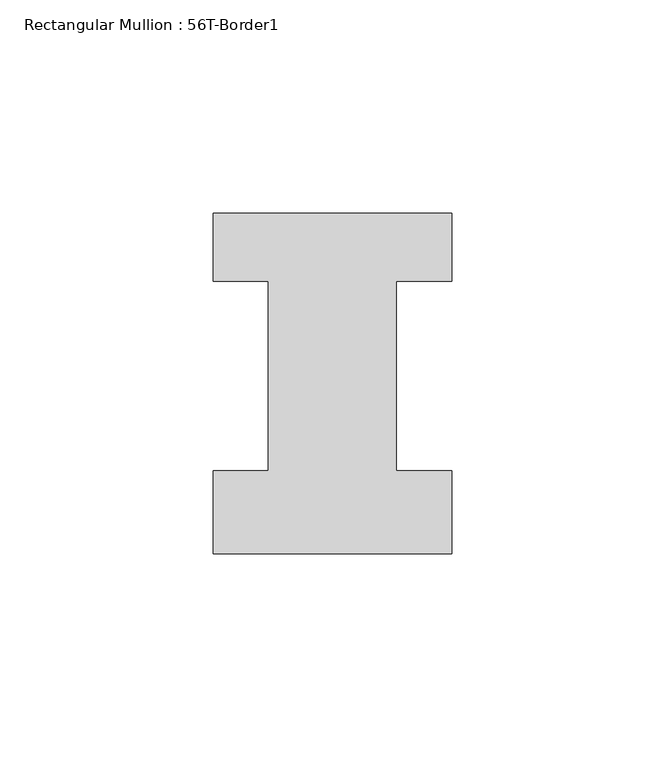
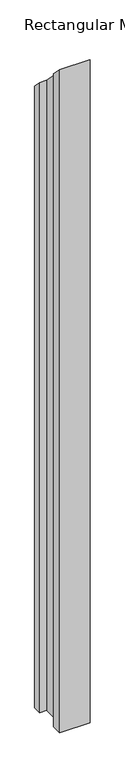
"""IFC4 building model written with IfcOpenShell, lengths in millimetres: member geometry, Rectangular Mullion : 56T-Border1."""

from ifc_helpers import new_model, si_unit, origin, place, context, project, spatial, faceted_brep, source, transform, mapped, element, save


def rectangular_mullion_56t_border1_6e79c719(model_context):
    return source(origin(), model_context, "Body", "Brep", [
        faceted_brep([(-56.0, -20.0, -1272.0), (-56.0, -0.5, -1272.0), (-43.0, -0.5, -1272.0), (-43.0, 44.0, -1272.0), (-56.0, 44.0, -1272.0), (-56.0, 60.0, -1272.0), (0.0, 60.0, -1272.0), (0.0, 44.0, -1272.0), (-13.0, 44.0, -1272.0), (-13.0, -0.5, -1272.0), (0.0, -0.5, -1272.0), (0.0, -20.0, -1272.0), (0.0, -20.0, 20.0), (-56.0, -20.0, 20.0), (0.0, -0.5, 0.5), (-13.0, -0.5, 0.5), (-13.0, 44.0, -44.0), (0.0, 44.0, -44.0), (0.0, 60.0, -60.0), (-56.0, 60.0, -60.0), (-56.0, 44.0, -44.0), (-43.0, 44.0, -44.0), (-43.0, -0.5, 0.5), (-56.0, -0.5, 0.5)], [[[0, 1, 2, 3, 4, 5, 6, 7, 8, 9, 10, 11]], [[12, 13, 0, 11]], [[14, 12, 11, 10]], [[15, 14, 10, 9]], [[16, 15, 9, 8]], [[17, 16, 8, 7]], [[18, 17, 7, 6]], [[19, 18, 6, 5]], [[20, 19, 5, 4]], [[21, 20, 4, 3]], [[22, 21, 3, 2]], [[23, 22, 2, 1]], [[13, 23, 1, 0]], [[13, 12, 14, 15, 16, 17, 18, 19, 20, 21, 22, 23]]]),
    ])


if __name__ == "__main__":
    model = new_model("IFC4")
    model_context = context("Model", 3, world=origin())
    ifc_project = project(units=[si_unit("LENGTHUNIT", "METRE", prefix="MILLI")], contexts=[model_context])
    site = spatial("IfcSite", under=ifc_project)
    building = spatial("IfcBuilding", under=site)
    placement = place(None, origin())
    rectangular_mullion_56t_border1_shape = rectangular_mullion_56t_border1_6e79c719(model_context)
    element("IfcMember", 1, ObjectType="Rectangular Mullion : 56T-Border1", at=placement, inside=building, context=model_context, shape_type="MappedRepresentation", body=[
        mapped(rectangular_mullion_56t_border1_shape, transform((0.0, 0.0, 0.0), x_axis=(1.0, 0.0, 0.0), y_axis=(0.0, 1.0, 0.0), z_axis=(0.0, 0.0, 1.0))),
    ])
    save(model, "model.ifc")
